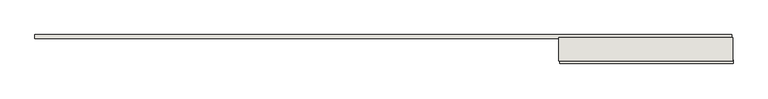
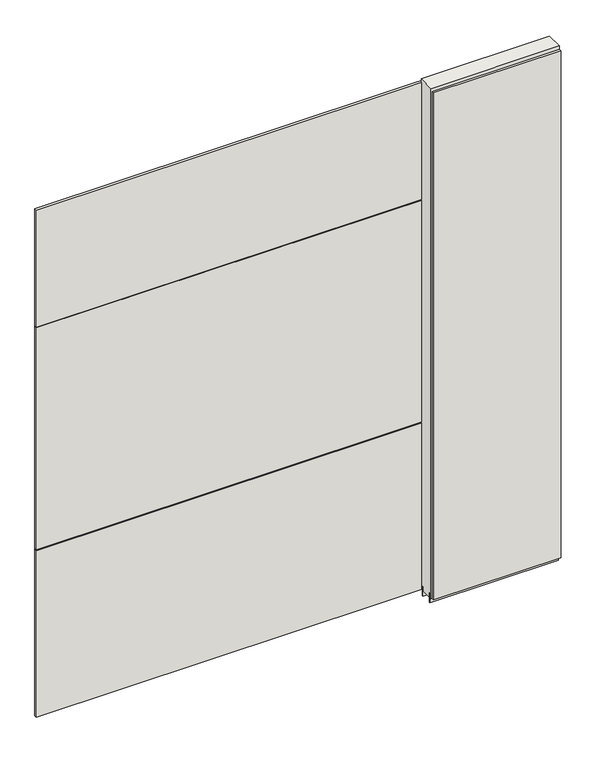
"""IFC4 building model written with IfcOpenShell, lengths in millimetres: wall geometry."""

from ifc_helpers import new_model, si_unit, frame, origin, place, context, project, spatial, polyline, outline, extrude, source, transform, mapped, element, save


def wall_30c7c5a5(model_context):
    return source(origin(), model_context, "Body", "SweptSolid", [
        extrude(outline(polyline([(51410.7918696, -47669.4636398), (51413.3318696, -47669.4636398), (51413.3318696, -47672.0036398), (51410.7918696, -47672.0036398), (51410.7918696, -47669.4636398)])), frame((0.0, 0.0, 4419.6), z_axis=(0.0, 0.0, 1.0), x_axis=(1.0, 0.0, 0.0)), (0.0, 0.0, 1.0), 2.54),
        extrude(outline(polyline([(51413.794937, -47721.5336398), (50808.1949798, -47721.5336398), (50808.1949798, -47708.8336398), (51413.794937, -47708.8336398), (51413.794937, -47721.5336398)])), frame((0.0, 0.0, 4445.0), z_axis=(0.0, 0.0, 1.0), x_axis=(1.0, 0.0, 0.0)), (0.0, 0.0, 1.0), 2545.0498756),
        extrude(outline(polyline([(48973.9420824, -47619.9336398), (51408.8671084, -47619.9336398), (51408.8671084, -47632.6336398), (48973.9420824, -47632.6336398), (48973.9420824, -47619.9336398)])), frame((0.0, 0.0, 6402.8000722), z_axis=(0.0, 0.0, 1.0), x_axis=(1.0, 0.0, 0.0)), (0.0, 0.0, 1.0), 587.2498034),
        extrude(outline(polyline([(48973.9420824, -47619.9336398), (51408.8671084, -47619.9336398), (51408.8671084, -47632.6336398), (48973.9420824, -47632.6336398), (48973.9420824, -47619.9336398)])), frame((0.0, 0.0, 5285.199869), z_axis=(0.0, 0.0, 1.0), x_axis=(1.0, 0.0, 0.0)), (0.0, 0.0, 1.0), 1113.5999572),
        extrude(outline(polyline([(48973.9420824, -47619.9336398), (51408.8671084, -47619.9336398), (51408.8671084, -47632.6336398), (48973.9420824, -47632.6336398), (48973.9420824, -47619.9336398)])), frame((0.0, 0.0, 4445.0), z_axis=(0.0, 0.0, 1.0), x_axis=(1.0, 0.0, 0.0)), (0.0, 0.0, 1.0), 836.200004),
        extrude(outline(polyline([(50803.7331142, -47695.8142856), (51413.3331142, -47695.8142856), (51413.3331142, -47700.8961398), (50803.7331142, -47700.8961398), (50803.7331142, -47695.8142856)])), frame((0.0, 0.0, 4418.6602), z_axis=(0.0, 0.0, 1.0), x_axis=(1.0, 0.0, 0.0)), (0.0, 0.0, 1.0), 47.625),
        extrude(outline(polyline([(50803.7331142, -47695.8142856), (51413.3331142, -47695.8142856), (51413.3331142, -47700.8961398), (50803.7331142, -47700.8961398), (50803.7331142, -47695.8142856)])), frame((0.0, 0.0, 4418.6602), z_axis=(0.0, 0.0, 1.0), x_axis=(1.0, 0.0, 0.0)), (0.0, 0.0, 1.0), 47.625),
        extrude(outline(polyline([(51413.3331142, -47645.6498952), (50803.7331142, -47645.6498952), (50803.7331142, -47640.5711398), (51413.3331142, -47640.5711398), (51413.3331142, -47645.6498952)])), frame((0.0, 0.0, 4418.6602), z_axis=(0.0, 0.0, 1.0), x_axis=(1.0, 0.0, 0.0)), (0.0, 0.0, 1.0), 47.625),
        extrude(outline(polyline([(51413.3331142, -47645.6498952), (50803.7331142, -47645.6498952), (50803.7331142, -47640.5711398), (51413.3331142, -47640.5711398), (51413.3331142, -47645.6498952)])), frame((0.0, 0.0, 4418.6602), z_axis=(0.0, 0.0, 1.0), x_axis=(1.0, 0.0, 0.0)), (0.0, 0.0, 1.0), 47.625),
        extrude(outline(polyline([(50803.7331142, -47711.3854254), (50803.7331142, -47630.10667), (51413.3331142, -47630.10667), (51413.3331142, -47711.3854254), (50803.7331142, -47711.3854254)])), frame((0.0, 0.0, 4445.0), z_axis=(0.0, 0.0, 1.0), x_axis=(1.0, 0.0, 0.0)), (0.0, 0.0, 1.0), 2562.4536762),
    ])


if __name__ == "__main__":
    model = new_model("IFC4")
    model_context = context("Model", 3, world=origin())
    ifc_project = project(units=[si_unit("LENGTHUNIT", "METRE", prefix="MILLI")], contexts=[model_context])
    site = spatial("IfcSite", under=ifc_project)
    building = spatial("IfcBuilding", under=site)
    placement = place(None, origin())
    wall_shape = wall_30c7c5a5(model_context)
    element("IfcWall", 1, at=placement, inside=building, context=model_context, shape_type="MappedRepresentation", body=[
        mapped(wall_shape, transform((0.0, 0.0, 0.0), x_axis=(1.0, 0.0, 0.0), y_axis=(0.0, 1.0, 0.0), z_axis=(0.0, 0.0, 1.0))),
    ])
    save(model, "model.ifc")
